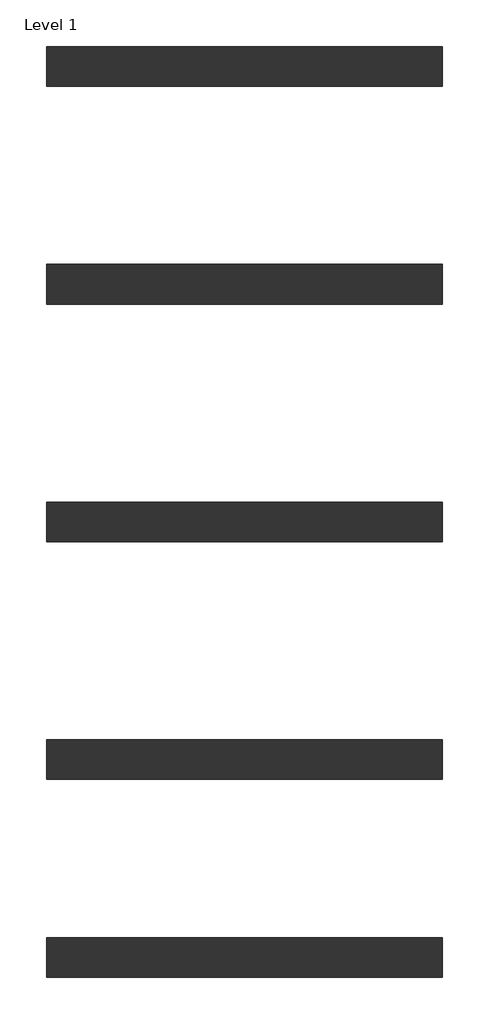
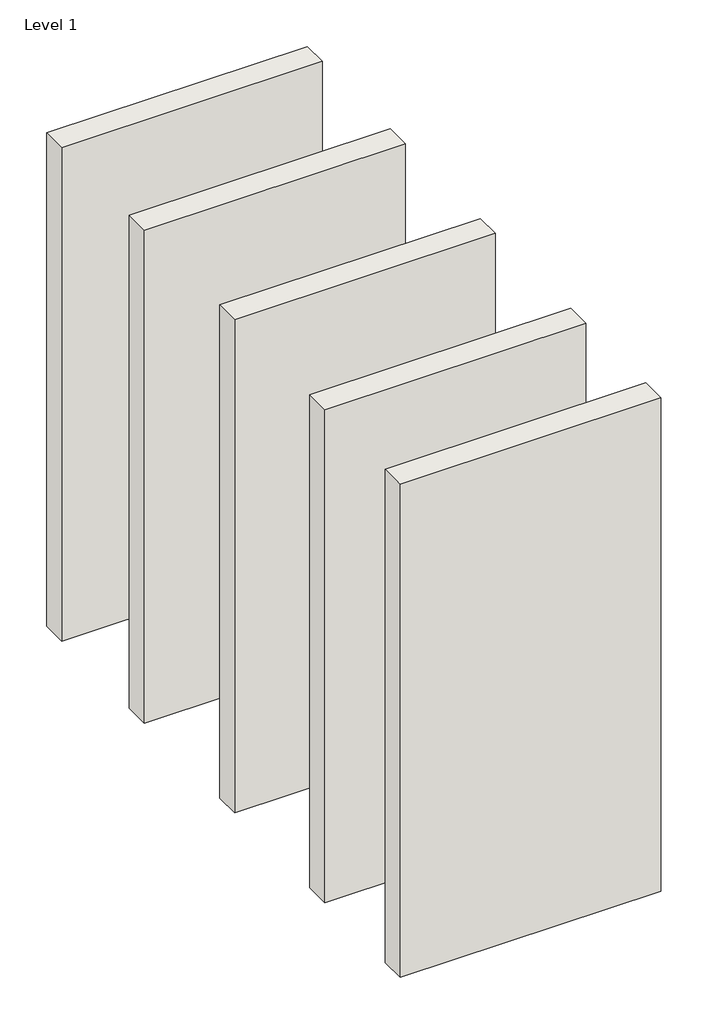
# One storey: 5 walls.
"""IFC4 building model written with IfcOpenShell, lengths in millimetres."""

from ifc_helpers import new_model, si_unit, origin, origin_with_axes, place, context, project, spatial, polyline, outline, extrude, element, save

model = new_model("IFC4")

# Units and contexts
model_context = context("Model", 3, world=origin())
ifc_project = project(units=[si_unit("LENGTHUNIT", "METRE", prefix="MILLI")], contexts=[model_context])

# Site, building, storey
site = spatial("IfcSite", under=ifc_project)
building = spatial("IfcBuilding", under=site)
storey = spatial("IfcBuildingStorey", under=building, Name="Level 1", Elevation=0.0)

# Walls
placement = place(None, origin())
element("IfcWall", 1, ObjectType="Generic - 200mm", at=placement, inside=storey, context=model_context, shape_type="SweptSolid", body=[
    extrude(outline(polyline([(-6241.5447181, 4661.3692091), (-8241.5447181, 4661.3692091), (-8241.5447181, 4861.3692091), (-6241.5447181, 4861.3692091), (-6241.5447181, 4661.3692091)])), origin_with_axes(), (0.0, 0.0, 1.0), 4000.0),
])
element("IfcWall", 2, ObjectType="Generic - 200mm", at=placement, inside=storey, context=model_context, shape_type="SweptSolid", body=[
    extrude(outline(polyline([(-6241.5447181, 3561.3692091), (-8241.5447181, 3561.3692091), (-8241.5447181, 3761.3692091), (-6241.5447181, 3761.3692091), (-6241.5447181, 3561.3692091)])), origin_with_axes(), (0.0, 0.0, 1.0), 4000.0),
])
element("IfcWall", 3, ObjectType="Generic - 200mm", at=placement, inside=storey, context=model_context, shape_type="SweptSolid", body=[
    extrude(outline(polyline([(-6241.5447181, 2361.3692091), (-8241.5447181, 2361.3692091), (-8241.5447181, 2561.3692091), (-6241.5447181, 2561.3692091), (-6241.5447181, 2361.3692091)])), origin_with_axes(), (0.0, 0.0, 1.0), 4000.0),
])
element("IfcWall", 4, ObjectType="Generic - 200mm", at=placement, inside=storey, context=model_context, shape_type="SweptSolid", body=[
    extrude(outline(polyline([(-6241.5447181, 1161.3692091), (-8241.5447181, 1161.3692091), (-8241.5447181, 1361.3692091), (-6241.5447181, 1361.3692091), (-6241.5447181, 1161.3692091)])), origin_with_axes(), (0.0, 0.0, 1.0), 4000.0),
])
element("IfcWall", 5, ObjectType="Generic - 200mm", at=placement, inside=storey, context=model_context, shape_type="SweptSolid", body=[
    extrude(outline(polyline([(-6241.5447181, 161.3692091), (-8241.5447181, 161.3692091), (-8241.5447181, 361.3692091), (-6241.5447181, 361.3692091), (-6241.5447181, 161.3692091)])), origin_with_axes(), (0.0, 0.0, 1.0), 4000.0),
])

save(model, "model.ifc")
